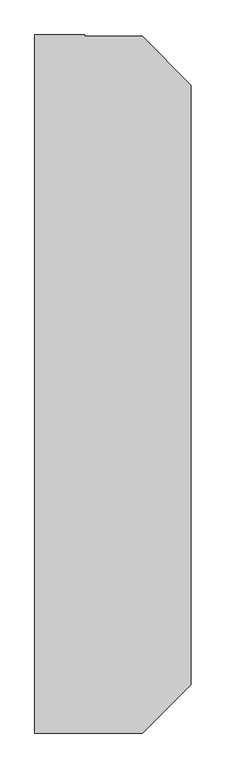
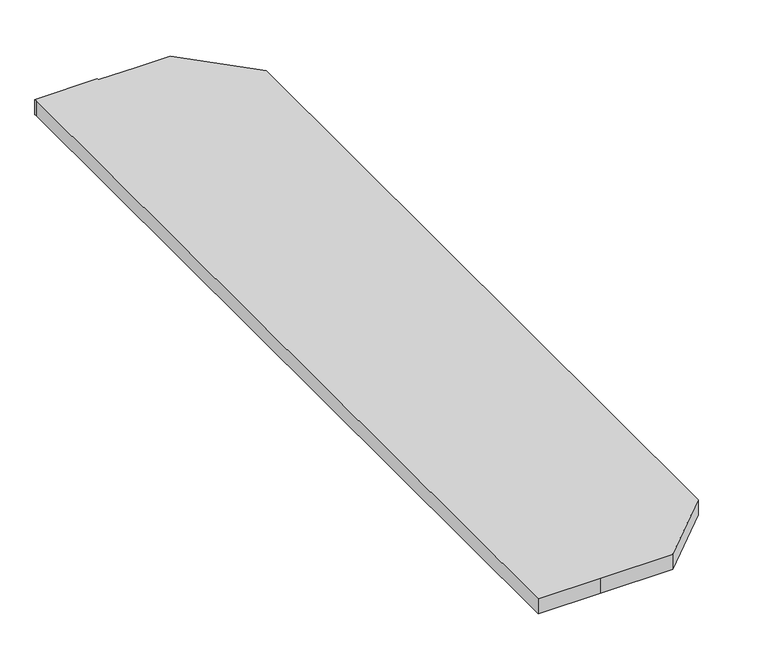
"""IFC4 building model written with IfcOpenShell, lengths in millimetres: furniture geometry."""

import ifcopenshell
import ifcopenshell.guid

model = None  # the IFC model being written
_history = None  # IfcOwnerHistory: only IFC2X3 demands one
_inside = {}  # id of a spatial element -> (the spatial element, [elements in it])
_under = {}  # id of a project, library or spatial element -> (it, [spatial elements below it])
_declared = {}  # id of a project -> (the project, [libraries it declares])
_typed = {}  # id of a type object -> (the type object, [elements of that type])
_made_of = {}  # id of a material, layer set ... -> (it, [elements and type objects made of it])


def new_model(schema):
    """Start an empty IFC model of exactly this schema.

    Asked for "IFC4X3", IfcOpenShell would pick the latest addendum, in which some entities
    have other attributes; the version numbers below select the first issue.
    IFC2X3 requires an IfcOwnerHistory on every rooted entity: one is made here for all.
    """
    global model, _history
    if schema == "IFC4X3":
        model = ifcopenshell.file(schema_version=(4, 3, 0, 0))
    else:
        model = ifcopenshell.file(schema=schema)
    _inside.clear()
    _under.clear()
    _declared.clear()
    _typed.clear()
    _made_of.clear()
    _history = None
    if model.schema == "IFC2X3":
        org = make("IfcOrganization", Name="unknown")
        user = make(
            "IfcPersonAndOrganization",
            ThePerson=make("IfcPerson", FamilyName="unknown"),
            TheOrganization=org,
        )
        app = make(
            "IfcApplication",
            ApplicationDeveloper=org,
            Version="unknown",
            ApplicationFullName="unknown",
            ApplicationIdentifier="unknown",
        )
        _history = make(
            "IfcOwnerHistory",
            OwningUser=user,
            OwningApplication=app,
            ChangeAction="ADDED",
            CreationDate=0,
        )
    return model


def make(cls, **values):
    """One entity of the class cls with the attributes given. An attribute that is None is left unset."""
    return model.create_entity(
        cls, **{name: value for name, value in values.items() if value is not None}
    )


def rooted(cls, **values):
    """An entity with a GlobalId (a new one), such as an element, a storey or a relation."""
    return make(cls, GlobalId=ifcopenshell.guid.new(), OwnerHistory=_history, **values)


def si_unit(unit_type, name, prefix=None):
    """IfcSIUnit, for example si_unit("LENGTHUNIT", "METRE", prefix="MILLI")."""
    return make("IfcSIUnit", UnitType=unit_type, Prefix=prefix, Name=name)


def assignment(units):
    """IfcUnitAssignment: the units of a project."""
    return None if units is None else make("IfcUnitAssignment", Units=units)


def point(xyz):
    """IfcCartesianPoint."""
    return None if xyz is None else make("IfcCartesianPoint", Coordinates=xyz)


def direction(xyz):
    """IfcDirection."""
    return None if xyz is None else make("IfcDirection", DirectionRatios=xyz)


def frame(location, z_axis=None, x_axis=None):
    """IfcAxis2Placement3D, a coordinate frame: its origin and axes. An axis left out is left unset."""
    return make(
        "IfcAxis2Placement3D",
        Location=point(location),
        Axis=direction(z_axis),
        RefDirection=direction(x_axis),
    )


def origin():
    """The frame at (0, 0, 0) with its axes left unset."""
    return frame((0.0, 0.0, 0.0))


def place(relative_to, where):
    """IfcLocalPlacement: puts the frame where relative to a parent placement (None: the world)."""
    return make(
        "IfcLocalPlacement", PlacementRelTo=relative_to, RelativePlacement=where
    )


def context(
    kind, dimensions, precision=None, world=None, true_north=None, identifier=None
):
    """IfcGeometricRepresentationContext, for example the 3D "Model" context."""
    return make(
        "IfcGeometricRepresentationContext",
        ContextIdentifier=identifier,
        ContextType=kind,
        CoordinateSpaceDimension=dimensions,
        Precision=precision,
        WorldCoordinateSystem=world,
        TrueNorth=true_north,
    )


def project(units=None, contexts=None):
    """IfcProject with its units and contexts."""
    return rooted(
        "IfcProject",
        Name="project",
        RepresentationContexts=contexts,
        UnitsInContext=assignment(units),
    )


def spatial(cls, under=None, at=None, **own):
    """A site, building, storey or space (cls), placed at a placement, below another one or the project."""
    s = rooted(cls, ObjectPlacement=at, **own)
    if under is not None:
        _under.setdefault(under.id(), (under, []))[1].append(s)
    return s


def polyline(points):
    """IfcPolyline through the points."""
    return make("IfcPolyline", Points=[point(p) for p in points])


def outline(outer, holes=None, kind="AREA"):
    """IfcArbitraryClosedProfileDef: a profile drawn as a closed curve; with holes, ...WithVoids."""
    if holes is None:
        return make("IfcArbitraryClosedProfileDef", ProfileType=kind, OuterCurve=outer)
    return make(
        "IfcArbitraryProfileDefWithVoids",
        ProfileType=kind,
        OuterCurve=outer,
        InnerCurves=holes,
    )


def extrude(swept, where, along, depth):
    """IfcExtrudedAreaSolid: the profile swept, set in the frame where, extruded along a direction by depth."""
    return make(
        "IfcExtrudedAreaSolid",
        SweptArea=swept,
        Position=where,
        ExtrudedDirection=direction(along),
        Depth=depth,
    )


def shape(context_of_items, identifier, shape_type, items):
    """IfcShapeRepresentation: the items that make up one representation, for example the "Body"."""
    return make(
        "IfcShapeRepresentation",
        ContextOfItems=context_of_items,
        RepresentationIdentifier=identifier,
        RepresentationType=shape_type,
        Items=items,
    )


def source(mapping_origin, context_of_items, identifier, shape_type, items):
    """IfcRepresentationMap: a shape defined once, which mapped items show again and again."""
    return make(
        "IfcRepresentationMap",
        MappingOrigin=mapping_origin,
        MappedRepresentation=shape(context_of_items, identifier, shape_type, items),
    )


def transform(
    local_origin,
    x_axis=None,
    y_axis=None,
    z_axis=None,
    scale=None,
    scale2=None,
    scale3=None,
    uniform=True,
):
    """IfcCartesianTransformationOperator3D, or its non-uniform kind. x_axis, y_axis, z_axis: its Axis1, 2, 3."""
    if uniform:
        return make(
            "IfcCartesianTransformationOperator3D",
            Axis1=direction(x_axis),
            Axis2=direction(y_axis),
            LocalOrigin=point(local_origin),
            Scale=scale,
            Axis3=direction(z_axis),
        )
    return make(
        "IfcCartesianTransformationOperator3DnonUniform",
        Axis1=direction(x_axis),
        Axis2=direction(y_axis),
        LocalOrigin=point(local_origin),
        Scale=scale,
        Axis3=direction(z_axis),
        Scale2=scale2,
        Scale3=scale3,
    )


def mapped(mapping_source, mapping_target):
    """IfcMappedItem: shows the shape of a source again, moved by a transform."""
    return make(
        "IfcMappedItem", MappingSource=mapping_source, MappingTarget=mapping_target
    )


def made_of(thing, what):
    """Note that an element or type object is made of a material, layer set ...; save() writes the relation."""
    if what is not None:
        _made_of.setdefault(what.id(), (what, []))[1].append(thing)
    return thing


def element(
    cls,
    number,
    at=None,
    inside=None,
    cuts=None,
    type_object=None,
    material=None,
    context=None,
    identifier="Body",
    shape_type=None,
    held_by="IfcProductDefinitionShape",
    body=None,
    shapes=None,
    **own,
):
    """One element of the class cls, such as IfcWall. Its Tag is "e" and its number.

    at: its placement. inside: the storey or other place that contains it. cuts: it is an
    opening in that element (IfcRelVoidsElement). A single representation is given by context,
    identifier, shape_type and body (its items); several are given by shapes. held_by: the class
    of the entity that holds the representations. save() writes the other relations.
    """
    e = rooted(cls, Tag="e%d" % number, ObjectPlacement=at, **own)
    if body is not None:
        shapes = [shape(context, identifier, shape_type, body)]
    if shapes is not None:
        e.Representation = make(held_by, Representations=shapes)
    if inside is not None:
        _inside.setdefault(inside.id(), (inside, []))[1].append(e)
    if cuts is not None:
        rooted(
            "IfcRelVoidsElement", RelatingBuildingElement=cuts, RelatedOpeningElement=e
        )
    if type_object is not None:
        _typed.setdefault(type_object.id(), (type_object, []))[1].append(e)
    return made_of(e, material)


def aggregate(whole, parts):
    """IfcRelAggregates: a whole, such as a stair, and the parts it consists of."""
    return rooted("IfcRelAggregates", RelatingObject=whole, RelatedObjects=parts)


def save(model, path):
    """Write the relations noted so far, then the file.

    IfcRelAggregates (storeys below a building ...), IfcRelContainedInSpatialStructure (elements
    in a storey), IfcRelDefinesByType, IfcRelAssociatesMaterial and IfcRelDeclares: one each for
    every whole, place, type object, material and project.
    """
    for whole, parts in _under.values():
        aggregate(whole, parts)
    for where, things in _inside.values():
        rooted(
            "IfcRelContainedInSpatialStructure",
            RelatedElements=things,
            RelatingStructure=where,
        )
    for kind, things in _typed.values():
        rooted("IfcRelDefinesByType", RelatedObjects=things, RelatingType=kind)
    for what, things in _made_of.values():
        rooted("IfcRelAssociatesMaterial", RelatedObjects=things, RelatingMaterial=what)
    for by, libraries in _declared.values():
        rooted("IfcRelDeclares", RelatingContext=by, RelatedDefinitions=libraries)
    model.write(path)


def furniture_d7c1551c(model_context):
    return source(origin(), model_context, "Body", "SweptSolid", [
        extrude(outline(polyline([(223449.6205986, 161952.7471581), (223556.8549639, 161952.7471581), (223754.4205986, 161755.1815235), (223754.4205986, 159319.2715847), (223557.383672, 159122.2346581), (223322.6205986, 159122.2346581), (223119.4205986, 159122.2346581), (223119.4205986, 161952.7471581), (223119.4205986, 161959.0971581), (223322.6205986, 161959.0971581), (223322.6205986, 161952.7471581), (223449.6205986, 161952.7471581)])), frame((0.0, 0.0, 1007.3592564), z_axis=(0.0, 0.0, 1.0), x_axis=(1.0, 0.0, 0.0)), (0.0, 0.0, 1.0), 51.9448302),
    ])


if __name__ == "__main__":
    model = new_model("IFC4")
    model_context = context("Model", 3, world=origin())
    ifc_project = project(units=[si_unit("LENGTHUNIT", "METRE", prefix="MILLI")], contexts=[model_context])
    site = spatial("IfcSite", under=ifc_project)
    building = spatial("IfcBuilding", under=site)
    placement = place(None, origin())
    furniture_shape = furniture_d7c1551c(model_context)
    element("IfcFurniture", 1, at=placement, inside=building, context=model_context, shape_type="MappedRepresentation", body=[
        mapped(furniture_shape, transform((0.0, 0.0, 0.0), x_axis=(1.0, 0.0, 0.0), y_axis=(0.0, 1.0, 0.0), z_axis=(0.0, 0.0, 1.0))),
    ])
    save(model, "model.ifc")
